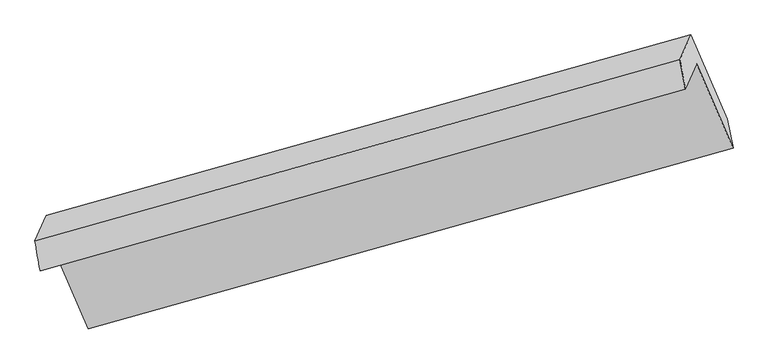
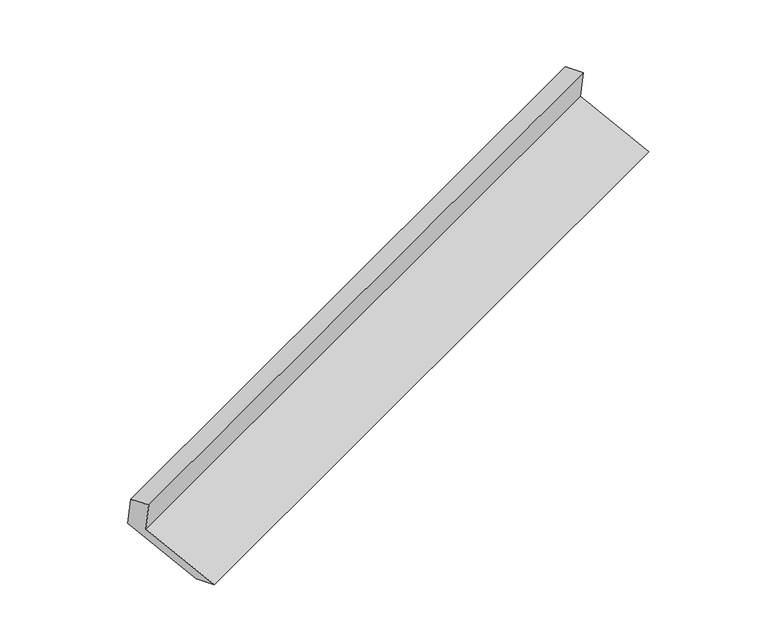
"""IFC4 building model written with IfcOpenShell, lengths in millimetres: proxy geometry."""

from ifc_helpers import new_model, si_unit, frame, origin, place, context, project, spatial, source, transform, mapped, element, save
from ifc_brep_helpers import plane_surface, spline_surface, advanced_brep


def generic_models_3208eef7(model_context):
    return source(origin(), model_context, "Body", "AdvancedBrep", [
        advanced_brep(
        [(-5138.9524889, -2140.2294418, 1480.7703991), (-5061.380161, -1964.804653, 1132.7133107), (-735.9667157, -749.2895106, 2697.9443927), (-811.5870988, -920.3001027, 3037.2433547), (-5173.3073625, -1939.0150047, 1419.2699939), (-847.8939172, -723.4998623, 2984.5010759), (-5097.6869794, -1768.0044126, 1079.9710319), (-774.225479, -556.903467, 2653.9602403), (-4853.1798856, -2334.9030907, 848.7414461), (-529.7183851, -1123.8021451, 2422.7306545), (-4816.8730671, -2531.7033311, 901.4837249), (-491.4596218, -1316.1881887, 2466.7148069)],
        [
            (0, 1),
            (1, 2),
            (2, 3),
            (3, 0),
            (4, 0),
            (3, 5),
            (5, 4),
            (6, 4),
            (5, 7),
            (7, 6),
            (8, 6),
            (7, 9),
            (9, 8),
            (10, 8),
            (9, 11),
            (11, 10),
            (1, 10),
            (11, 2),
        ],
        [
            plane_surface(frame((-5100.166325, -2052.5170474, 1306.7418549), z_axis=(0.36897148235856236, -0.8604372532542041, -0.35143673458886715), x_axis=(0.19519448854762358, 0.4414196767045774, -0.8758126401569334))),
            spline_surface(1, 1, [[(-5173.3073625, -1939.0150047, 1419.2699939), (-847.8939172, -723.4998623, 2984.5010759)], [(-5138.9524889, -2140.2294418, 1480.7703991), (-811.5870988, -920.3001027, 3037.2433547)]], [2, 2], [2, 2], [0.0, 1.0], [0.0, 1.0]),
            plane_surface(frame((-5135.497171, -1853.5097086, 1249.6205129), z_axis=(-0.3689714823585625, 0.860437253254204, 0.3514367345888676), x_axis=(-0.19519448854762356, -0.44141967670457777, 0.8758126401569332))),
            plane_surface(frame((-4975.4334325, -2051.4537516, 964.356239), z_axis=(0.19519448854762494, 0.441419676704578, -0.8758126401569328), x_axis=(-0.3708806165048824, 0.8599003320456751, 0.35074062674388906))),
            spline_surface(1, 1, [[(-4816.8730671, -2531.7033311, 901.4837249), (-491.4596218, -1316.1881887, 2466.7148069)], [(-4853.1798856, -2334.9030907, 848.7414461), (-529.7183851, -1123.8021451, 2422.7306545)]], [2, 2], [2, 2], [0.0, 1.0], [0.0, 1.0]),
            plane_surface(frame((-4939.126614, -2248.253992, 1017.0985178), z_axis=(-0.19328574246065855, -0.4408798811119768, 0.8765075882113751), x_axis=(0.37088061650488796, -0.8599003320456731, -0.3507406267438883))),
            plane_surface(frame((-698.4752029, -898.3305461, 2710.5157542), z_axis=(0.9079353941451948, 0.25635929467402574, 0.3315618073491669), x_axis=(-0.3708806165048824, 0.8599003320456751, 0.35074062674388906))),
            plane_surface(frame((-5023.5633241, -2113.109989, 1143.8249844), z_axis=(-0.907935394145197, -0.25635929467402113, -0.3315618073491644), x_axis=(-0.19519448854762325, -0.441419676704577, 0.8758126401569336))),
        ],
        [
            (0, [[1, 2, 3, 4]]),
            (1, [[5, -4, 6, 7]]),
            (2, [[8, -7, 9, 10]]),
            (3, [[11, -10, 12, 13]]),
            (4, [[14, -13, 15, 16]]),
            (5, [[17, -16, 18, -2]]),
            (6, [[-12, -9, -6, -3, -18, -15]]),
            (7, [[-1, -5, -8, -11, -14, -17]]),
        ],
    ),
    ])


if __name__ == "__main__":
    model = new_model("IFC4")
    model_context = context("Model", 3, world=origin())
    ifc_project = project(units=[si_unit("LENGTHUNIT", "METRE", prefix="MILLI")], contexts=[model_context])
    site = spatial("IfcSite", under=ifc_project)
    building = spatial("IfcBuilding", under=site)
    placement = place(None, origin())
    generic_models_shape = generic_models_3208eef7(model_context)
    element("IfcBuildingElementProxy", 1, Name="Generic Models", at=placement, inside=building, context=model_context, shape_type="MappedRepresentation", body=[
        mapped(generic_models_shape, transform((0.0, 0.0, 0.0), x_axis=(1.0, 0.0, 0.0), y_axis=(0.0, 1.0, 0.0), z_axis=(0.0, 0.0, 1.0))),
    ])
    save(model, "model.ifc")
